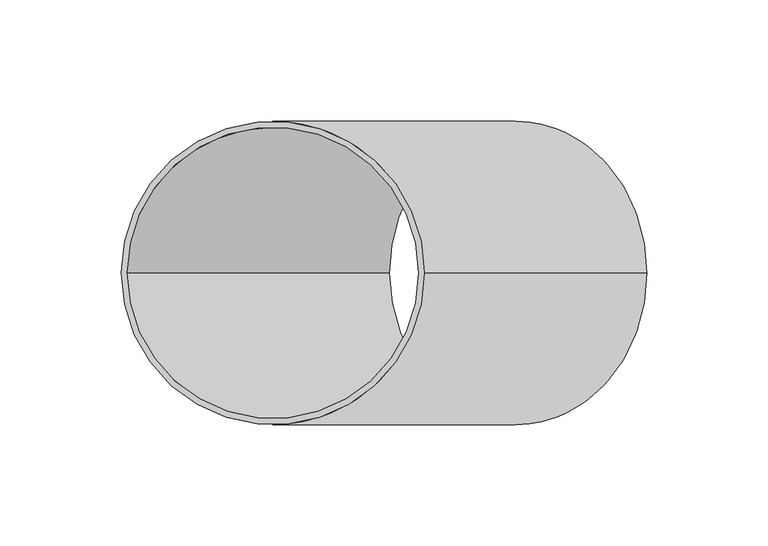
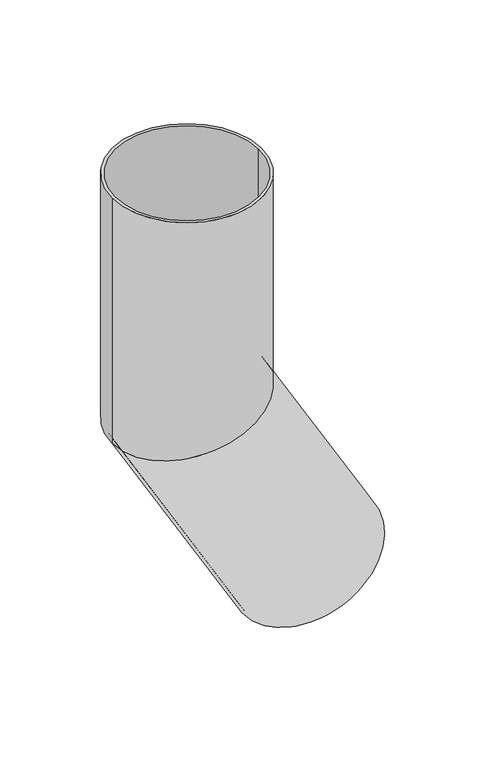
"""IFC4 building model written with IfcOpenShell, lengths in millimetres: beam geometry."""

from ifc_helpers import new_model, si_unit, frame, origin, place, context, project, spatial, polyline, circle_curve, ellipse_curve, source, transform, mapped, element, save
from ifc_brep_helpers import plane_surface, cylinder_surface, revolved_surface, advanced_brep


def beam_a47416f6(model_context):
    return source(origin(), model_context, "Body", "AdvancedBrep", [
        advanced_brep(
        [(154.1265877, 0.0, -341.9550808), (45.8734123, 0.0, -404.4550808), (151.9615242, 0.0, -343.2050808), (48.0384758, 0.0, -403.2050808), (62.5, 0.0, 0.0), (-62.5, 0.0, 0.0), (60.0, 0.0, 0.0), (-60.0, 0.0, 0.0), (60.0, 0.0, -183.9230485), (0.0, -60.0, -200.0), (-60.0, 0.0, -216.0769515), (0.0, 60.0, -200.0), (62.5, 0.0, -183.2531755), (-62.5, 0.0, -216.7468245)],
        [
            (0, 1, circle_curve(frame((100.0, 0.0, -373.2050808), z_axis=(0.5000000000000633, 0.0, -0.8660254037844022), x_axis=(-0.8660254037844022, 0.0, -0.5000000000000633)), 62.5)),
            (1, 0, circle_curve(frame((100.0, 0.0, -373.2050808), z_axis=(0.5000000000000633, 0.0, -0.8660254037844022), x_axis=(-0.8660254037844022, 0.0, -0.5000000000000633)), 62.5)),
            (2, 3, circle_curve(frame((100.0, 0.0, -373.2050808), z_axis=(-0.5000000000000633, 0.0, 0.8660254037844022), x_axis=(-0.8660254037844022, 0.0, -0.5000000000000633)), 60.0)),
            (3, 2, circle_curve(frame((100.0, 0.0, -373.2050808), z_axis=(-0.5000000000000633, 0.0, 0.8660254037844022), x_axis=(-0.8660254037844022, 0.0, -0.5000000000000633)), 60.0)),
            (4, 5, circle_curve(frame((0.0, 0.0, 0.0), z_axis=(0.0, 0.0, 1.0), x_axis=(-1.0, 0.0, 0.0)), 62.5)),
            (5, 4, circle_curve(frame((0.0, 0.0, 0.0), z_axis=(0.0, 0.0, 1.0), x_axis=(-1.0, 0.0, 0.0)), 62.5)),
            (6, 7, circle_curve(frame((0.0, 0.0, 0.0), z_axis=(0.0, 0.0, -1.0), x_axis=(-1.0, 0.0, 0.0)), 60.0)),
            (7, 6, circle_curve(frame((0.0, 0.0, 0.0), z_axis=(0.0, 0.0, -1.0), x_axis=(-1.0, 0.0, 0.0)), 60.0)),
            (6, 8),
            (8, 9, ellipse_curve(frame((0.0, 0.0, -200.0), z_axis=(0.25881904510255604, 0.0, -0.9659258262890589), x_axis=(0.9659258262890589, 0.0, 0.25881904510255593)), 62.1165708, 60.0)),
            (9, 10, ellipse_curve(frame((0.0, 0.0, -200.0), z_axis=(0.25881904510255604, 0.0, -0.9659258262890589), x_axis=(0.9659258262890589, 0.0, 0.25881904510255593)), 62.1165708, 60.0)),
            (10, 7),
            (10, 11, ellipse_curve(frame((0.0, 0.0, -200.0), z_axis=(0.25881904510255604, 0.0, -0.9659258262890589), x_axis=(0.9659258262890589, 0.0, 0.25881904510255593)), 62.1165708, 60.0)),
            (11, 8, ellipse_curve(frame((0.0, 0.0, -200.0), z_axis=(0.25881904510255604, 0.0, -0.9659258262890589), x_axis=(0.9659258262890589, 0.0, 0.25881904510255593)), 62.1165708, 60.0)),
            (4, 12),
            (12, 13, ellipse_curve(frame((0.0, 0.0, -200.0), z_axis=(-0.25881904510255604, 0.0, 0.9659258262890589), x_axis=(-0.9659258262890589, 0.0, -0.25881904510255593)), 64.7047613, 62.5)),
            (13, 5),
            (13, 12, ellipse_curve(frame((0.0, 0.0, -200.0), z_axis=(-0.25881904510255604, 0.0, 0.9659258262890589), x_axis=(-0.9659258262890589, 0.0, -0.25881904510255593)), 64.7047613, 62.5)),
            (2, 8),
            (10, 3),
            (0, 12),
            (13, 1),
        ],
        [
            plane_surface(frame((100.0, 0.0, -373.2050808), z_axis=(0.5000000000000633, 0.0, -0.8660254037844022), x_axis=(0.0, -1.0, 0.0))),
            plane_surface(frame((0.0, 0.0, 0.0), z_axis=(0.0, 0.0, 1.0), x_axis=(0.0, -1.0, 0.0))),
            revolved_surface(polyline([(-60.0, 0.0, 0.0), (-60.0, 0.0, -216.0769515395013)]), (0.0, 0.0, -200.0), (0.0, 0.0, 1.0)),
            cylinder_surface(frame((0.0, 0.0, -200.0), z_axis=(0.0, 0.0, -1.0), x_axis=(-1.0, 0.0, 0.0)), 62.5),
            revolved_surface(polyline([(-60.00000003854299, 0.0, -216.0769515222528), (48.038475779700256, 0.0, -403.2050808117201)]), (100.0, 0.0, -373.2050808), (-0.5000000000000633, 0.0, 0.8660254037844022)),
            cylinder_surface(frame((100.0, 0.0, -373.2050808), z_axis=(0.5000000000000633, 0.0, -0.8660254037844022), x_axis=(-0.8660254037844022, 0.0, -0.5000000000000633)), 62.5),
        ],
        [
            (0, [[1, 2], [3, 4]]),
            (1, [[5, 6], [7, 8]]),
            (2, [[-7, 9, 10, 11, 12]]),
            (2, [[-8, -12, 13, 14, -9]]),
            (3, [[-5, 15, 16, 17]]),
            (3, [[-6, -17, 18, -15]]),
            (4, [[-3, 19, -14, -13, 20]]),
            (4, [[-4, -20, -11, -10, -19]]),
            (5, [[-1, 21, -18, 22]]),
            (5, [[-2, -22, -16, -21]]),
        ],
    ),
    ])


if __name__ == "__main__":
    model = new_model("IFC4")
    model_context = context("Model", 3, world=origin())
    ifc_project = project(units=[si_unit("LENGTHUNIT", "METRE", prefix="MILLI")], contexts=[model_context])
    site = spatial("IfcSite", under=ifc_project)
    building = spatial("IfcBuilding", under=site)
    placement = place(None, origin())
    beam_shape = beam_a47416f6(model_context)
    element("IfcBeam", 1, at=placement, inside=building, context=model_context, shape_type="MappedRepresentation", body=[
        mapped(beam_shape, transform((0.0, 0.0, 0.0), x_axis=(1.0, 0.0, 0.0), y_axis=(0.0, 1.0, 0.0), z_axis=(0.0, 0.0, 1.0))),
    ])
    save(model, "model.ifc")
